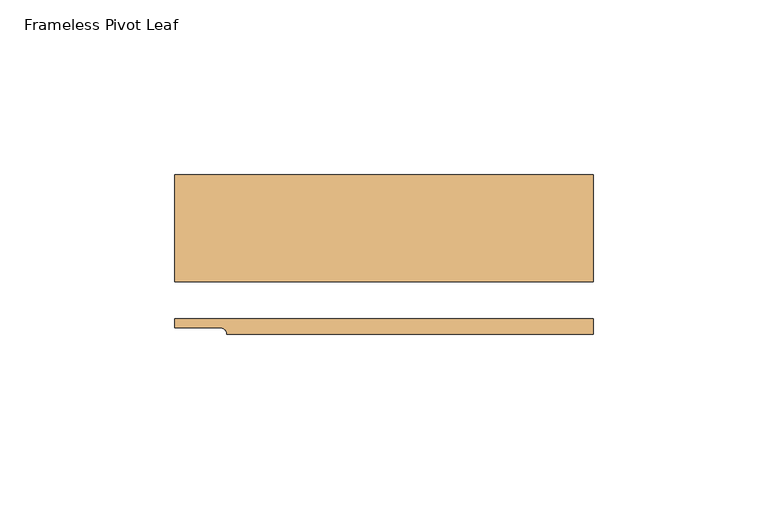
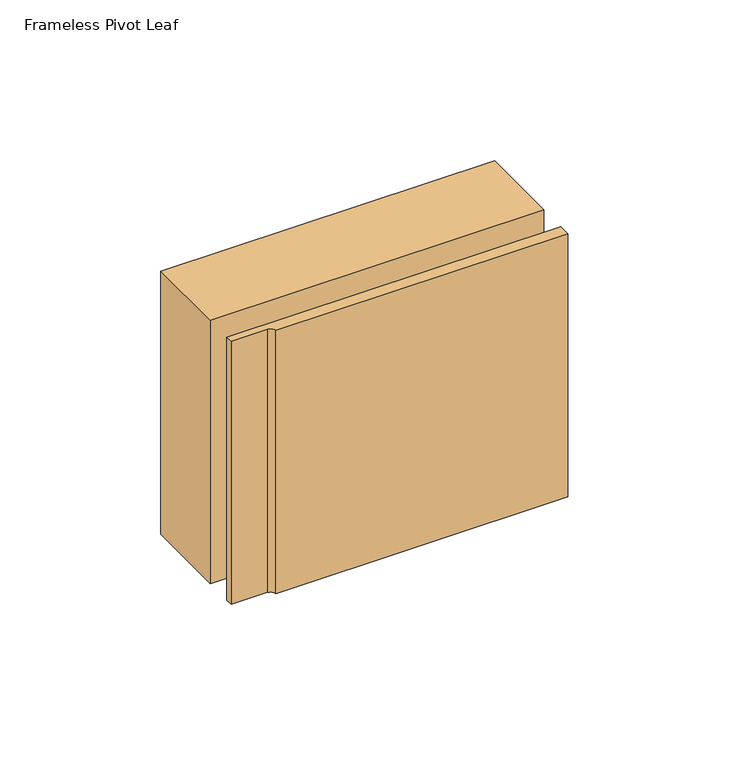
"""IFC4 building model written with IfcOpenShell, lengths in millimetres: door geometry, Frameless Pivot Leaf."""

from ifc_helpers import new_model, si_unit, point, frame_2d, origin, origin_with_axes, place, context, project, spatial, polyline, circle_curve, trimmed, segment, composite_curve, outline, extrude, source, transform, mapped, element, save


def frameless_pivot_leaf_028430d1(model_context):
    return source(origin(), model_context, "Body", "SweptSolid", [
        extrude(outline(polyline([(-98.1610577, 21.961), (21.8389423, 21.961), (21.8389423, -8.8136), (-98.1610577, -8.8136), (-98.1610577, 21.961)])), origin_with_axes(), (0.0, 0.0, 1.0), 99.9999),
        extrude(outline(composite_curve([segment(polyline([(21.8389423, -19.3194), (21.8389423, -23.739), (-83.1699337, -23.739)]), True, "CONTINUOUS"), segment(trimmed(circle_curve(frame_2d((-85.1542988, -23.9048743)), 1.9912858), [point((-83.1699337, -23.739))], [point((-85.1610577, -21.9136))], True, "CARTESIAN"), True, "CONTINUOUS"), segment(polyline([(-85.1610577, -21.9136), (-98.1610577, -21.9136), (-98.1610577, -19.3194), (21.8389423, -19.3194)]), True, "CONTINUOUS")], self_intersect=False)), origin_with_axes(), (0.0, 0.0, 1.0), 99.9999),
    ])


if __name__ == "__main__":
    model = new_model("IFC4")
    model_context = context("Model", 3, world=origin())
    ifc_project = project(units=[si_unit("LENGTHUNIT", "METRE", prefix="MILLI")], contexts=[model_context])
    site = spatial("IfcSite", under=ifc_project)
    building = spatial("IfcBuilding", under=site)
    placement = place(None, origin())
    frameless_pivot_leaf_shape = frameless_pivot_leaf_028430d1(model_context)
    element("IfcDoor", 1, ObjectType="Frameless Pivot Leaf", at=placement, inside=building, context=model_context, shape_type="MappedRepresentation", body=[
        mapped(frameless_pivot_leaf_shape, transform((0.0, 0.0, 0.0), x_axis=(1.0, 0.0, 0.0), y_axis=(0.0, 1.0, 0.0), z_axis=(0.0, 0.0, 1.0))),
    ])
    save(model, "model.ifc")
